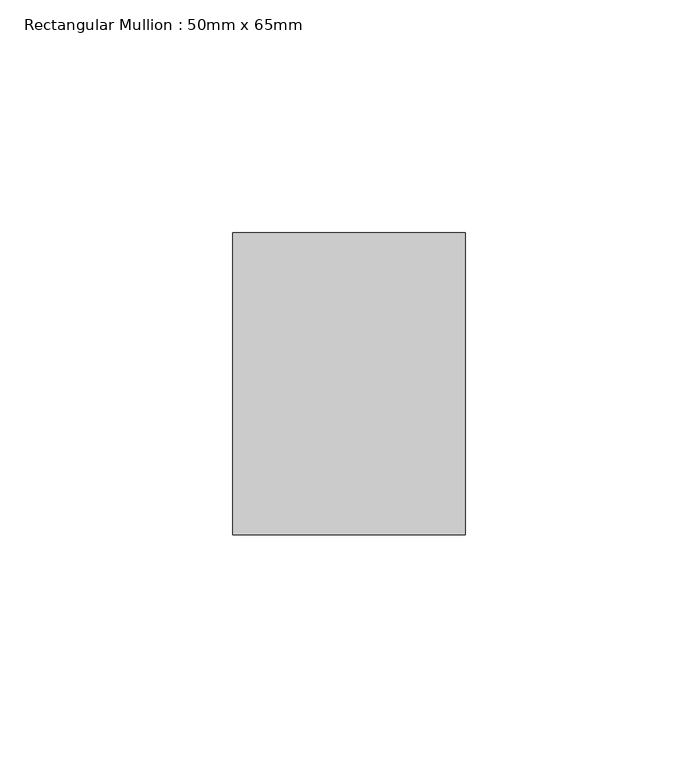
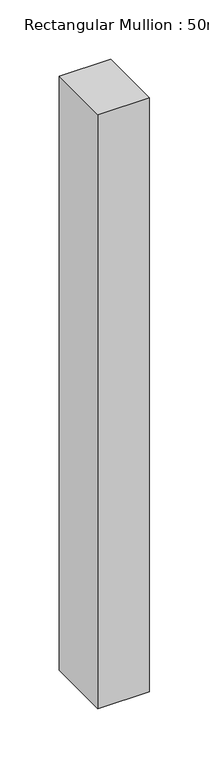
"""IFC4 building model written with IfcOpenShell, lengths in millimetres: member geometry, Rectangular Mullion : 50mm x 65mm."""

from ifc_helpers import new_model, si_unit, frame, origin, place, context, project, spatial, polyline, outline, extrude, source, transform, mapped, element, save


def rectangular_mullion_50mm_x_65mm_e2a2302e(model_context):
    return source(origin(), model_context, "Body", "SweptSolid", [
        extrude(outline(polyline([(25.0, 32.5), (25.0, -32.5), (-25.0, -32.5), (-25.0, 32.5), (25.0, 32.5)])), frame((0.0, 0.0, -610.7646496), z_axis=(0.0, 0.0, 1.0), x_axis=(1.0, 0.0, 0.0)), (0.0, 0.0, 1.0), 610.7646496),
    ])


if __name__ == "__main__":
    model = new_model("IFC4")
    model_context = context("Model", 3, world=origin())
    ifc_project = project(units=[si_unit("LENGTHUNIT", "METRE", prefix="MILLI")], contexts=[model_context])
    site = spatial("IfcSite", under=ifc_project)
    building = spatial("IfcBuilding", under=site)
    placement = place(None, origin())
    rectangular_mullion_50mm_x_65mm_shape = rectangular_mullion_50mm_x_65mm_e2a2302e(model_context)
    element("IfcMember", 1, ObjectType="Rectangular Mullion : 50mm x 65mm", at=placement, inside=building, context=model_context, shape_type="MappedRepresentation", body=[
        mapped(rectangular_mullion_50mm_x_65mm_shape, transform((0.0, 0.0, 0.0), x_axis=(1.0, 0.0, 0.0), y_axis=(0.0, 1.0, 0.0), z_axis=(0.0, 0.0, 1.0))),
    ])
    save(model, "model.ifc")
